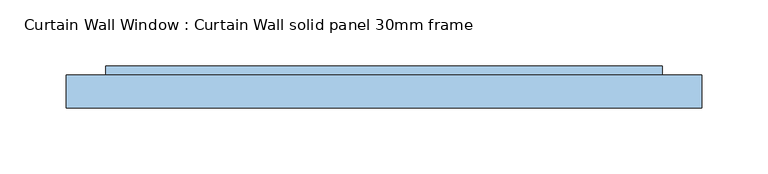
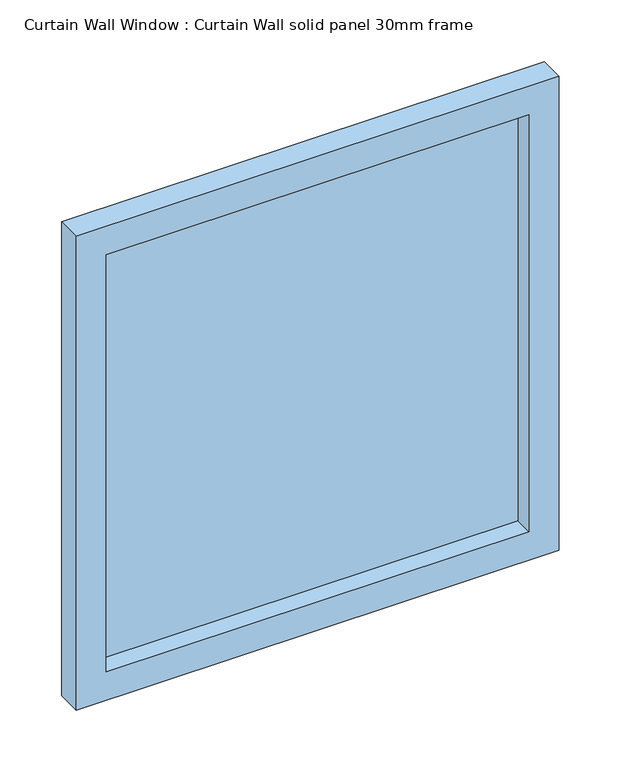
"""IFC4 building model written with IfcOpenShell, lengths in millimetres: window geometry, Curtain Wall Window : Curtain Wall solid panel 30mm frame."""

from ifc_helpers import new_model, si_unit, frame, origin, place, context, project, spatial, polyline, outline, extrude, source, transform, mapped, element, save


def curtain_wall_window_curtain_wall_solid_panel_30mm_frame_d5a2f5e9(model_context):
    return source(origin(), model_context, "Body", "SweptSolid", [
        extrude(outline(polyline([(210.5000002, 19.05), (-210.5000002, 19.05), (-210.5000002, 31.75), (210.5000002, 31.75), (210.5000002, 19.05)])), frame((0.0, 0.0, 30.0), z_axis=(0.0, 0.0, 1.0), x_axis=(1.0, 0.0, 0.0)), (0.0, 0.0, 1.0), 438.9997052),
        extrude(outline(polyline([(498.9997052, -240.5000002), (0.0, -240.5000002), (0.0, 240.5000002), (498.9997052, 240.5000002), (498.9997052, -240.5000002)]), holes=[polyline([(468.9997052, -210.5000002), (468.9997052, 210.5000002), (30.0, 210.5000002), (30.0, -210.5000002), (468.9997052, -210.5000002)])]), frame((0.0, 0.0, 0.0), z_axis=(0.0, 1.0, 0.0), x_axis=(0.0, 0.0, 1.0)), (0.0, 0.0, 1.0), 25.0),
    ])


if __name__ == "__main__":
    model = new_model("IFC4")
    model_context = context("Model", 3, world=origin())
    ifc_project = project(units=[si_unit("LENGTHUNIT", "METRE", prefix="MILLI")], contexts=[model_context])
    site = spatial("IfcSite", under=ifc_project)
    building = spatial("IfcBuilding", under=site)
    placement = place(None, origin())
    curtain_wall_window_curtain_wall_solid_panel_30mm_frame_shape = curtain_wall_window_curtain_wall_solid_panel_30mm_frame_d5a2f5e9(model_context)
    element("IfcWindow", 1, ObjectType="Curtain Wall Window : Curtain Wall solid panel 30mm frame", at=placement, inside=building, context=model_context, shape_type="MappedRepresentation", body=[
        mapped(curtain_wall_window_curtain_wall_solid_panel_30mm_frame_shape, transform((0.0, 0.0, 0.0), x_axis=(1.0, 0.0, 0.0), y_axis=(0.0, 1.0, 0.0), z_axis=(0.0, 0.0, 1.0))),
    ])
    save(model, "model.ifc")
